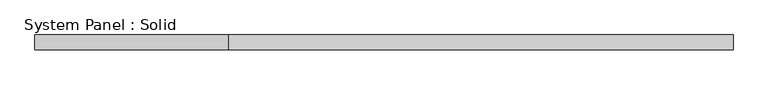
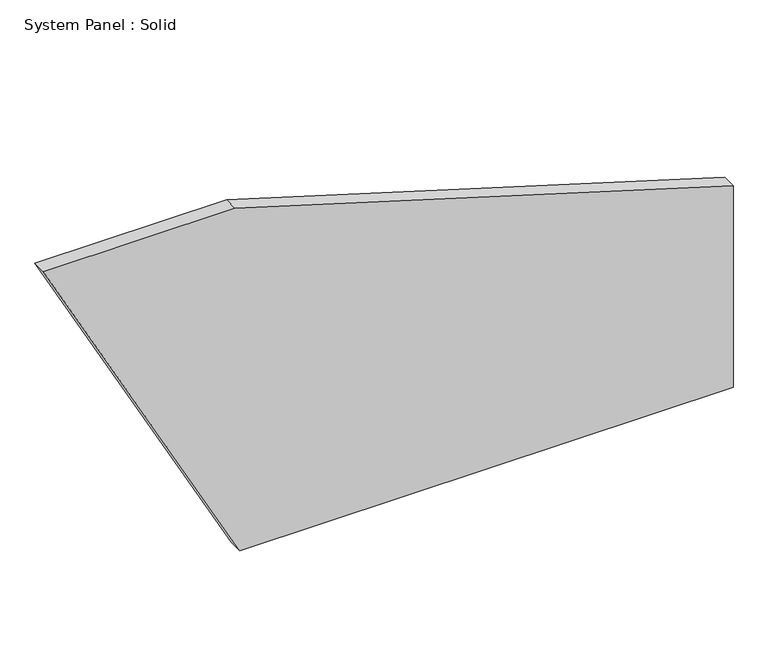
"""IFC4 building model written with IfcOpenShell, lengths in millimetres: plate geometry, System Panel : Solid."""

from ifc_helpers import new_model, si_unit, frame, origin, place, context, project, spatial, polyline, outline, extrude, source, transform, mapped, element, save


def system_panel_solid_28863090(model_context):
    return source(origin(), model_context, "Body", "SweptSolid", [
        extrude(outline(polyline([(0.0, -611.8125602), (0.0, 1422.7346072), (878.6465181, 1422.7346072), (1500.0, -632.0143027), (1500.0, -1422.7346072), (0.0, -611.8125602)])), frame((0.0, -10.5, 0.0), z_axis=(0.0, 1.0, 0.0), x_axis=(0.0, 0.0, 1.0)), (0.0, 0.0, 1.0), 60.0),
    ])


if __name__ == "__main__":
    model = new_model("IFC4")
    model_context = context("Model", 3, world=origin())
    ifc_project = project(units=[si_unit("LENGTHUNIT", "METRE", prefix="MILLI")], contexts=[model_context])
    site = spatial("IfcSite", under=ifc_project)
    building = spatial("IfcBuilding", under=site)
    placement = place(None, origin())
    system_panel_solid_shape = system_panel_solid_28863090(model_context)
    element("IfcPlate", 1, ObjectType="System Panel : Solid", at=placement, inside=building, context=model_context, shape_type="MappedRepresentation", body=[
        mapped(system_panel_solid_shape, transform((0.0, 0.0, 0.0), x_axis=(1.0, 0.0, 0.0), y_axis=(0.0, 1.0, 0.0), z_axis=(0.0, 0.0, 1.0))),
    ])
    save(model, "model.ifc")
